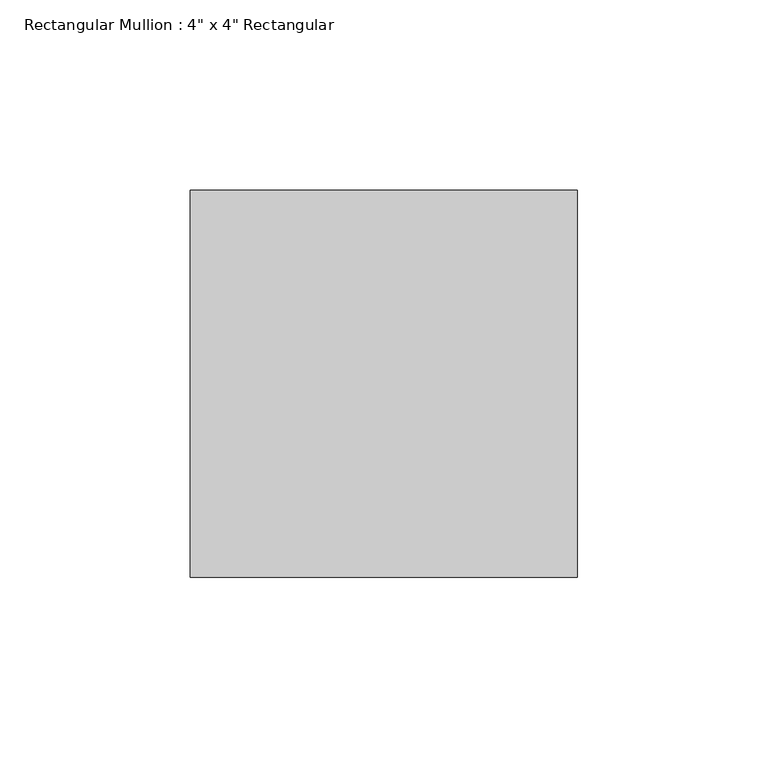
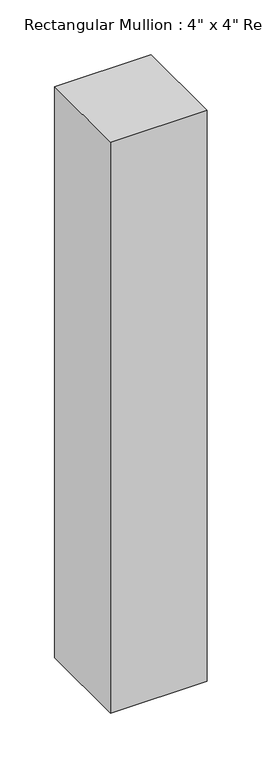
"""IFC4 building model written with IfcOpenShell, lengths in millimetres: member geometry."""

import ifcopenshell
import ifcopenshell.guid

model = None  # the IFC model being written
_history = None  # IfcOwnerHistory: only IFC2X3 demands one
_inside = {}  # id of a spatial element -> (the spatial element, [elements in it])
_under = {}  # id of a project, library or spatial element -> (it, [spatial elements below it])
_declared = {}  # id of a project -> (the project, [libraries it declares])
_typed = {}  # id of a type object -> (the type object, [elements of that type])
_made_of = {}  # id of a material, layer set ... -> (it, [elements and type objects made of it])


def new_model(schema):
    """Start an empty IFC model of exactly this schema.

    Asked for "IFC4X3", IfcOpenShell would pick the latest addendum, in which some entities
    have other attributes; the version numbers below select the first issue.
    IFC2X3 requires an IfcOwnerHistory on every rooted entity: one is made here for all.
    """
    global model, _history
    if schema == "IFC4X3":
        model = ifcopenshell.file(schema_version=(4, 3, 0, 0))
    else:
        model = ifcopenshell.file(schema=schema)
    _inside.clear()
    _under.clear()
    _declared.clear()
    _typed.clear()
    _made_of.clear()
    _history = None
    if model.schema == "IFC2X3":
        org = make("IfcOrganization", Name="unknown")
        user = make(
            "IfcPersonAndOrganization",
            ThePerson=make("IfcPerson", FamilyName="unknown"),
            TheOrganization=org,
        )
        app = make(
            "IfcApplication",
            ApplicationDeveloper=org,
            Version="unknown",
            ApplicationFullName="unknown",
            ApplicationIdentifier="unknown",
        )
        _history = make(
            "IfcOwnerHistory",
            OwningUser=user,
            OwningApplication=app,
            ChangeAction="ADDED",
            CreationDate=0,
        )
    return model


def make(cls, **values):
    """One entity of the class cls with the attributes given. An attribute that is None is left unset."""
    return model.create_entity(
        cls, **{name: value for name, value in values.items() if value is not None}
    )


def rooted(cls, **values):
    """An entity with a GlobalId (a new one), such as an element, a storey or a relation."""
    return make(cls, GlobalId=ifcopenshell.guid.new(), OwnerHistory=_history, **values)


def si_unit(unit_type, name, prefix=None):
    """IfcSIUnit, for example si_unit("LENGTHUNIT", "METRE", prefix="MILLI")."""
    return make("IfcSIUnit", UnitType=unit_type, Prefix=prefix, Name=name)


def assignment(units):
    """IfcUnitAssignment: the units of a project."""
    return None if units is None else make("IfcUnitAssignment", Units=units)


def point(xyz):
    """IfcCartesianPoint."""
    return None if xyz is None else make("IfcCartesianPoint", Coordinates=xyz)


def direction(xyz):
    """IfcDirection."""
    return None if xyz is None else make("IfcDirection", DirectionRatios=xyz)


def frame(location, z_axis=None, x_axis=None):
    """IfcAxis2Placement3D, a coordinate frame: its origin and axes. An axis left out is left unset."""
    return make(
        "IfcAxis2Placement3D",
        Location=point(location),
        Axis=direction(z_axis),
        RefDirection=direction(x_axis),
    )


def origin():
    """The frame at (0, 0, 0) with its axes left unset."""
    return frame((0.0, 0.0, 0.0))


def place(relative_to, where):
    """IfcLocalPlacement: puts the frame where relative to a parent placement (None: the world)."""
    return make(
        "IfcLocalPlacement", PlacementRelTo=relative_to, RelativePlacement=where
    )


def context(
    kind, dimensions, precision=None, world=None, true_north=None, identifier=None
):
    """IfcGeometricRepresentationContext, for example the 3D "Model" context."""
    return make(
        "IfcGeometricRepresentationContext",
        ContextIdentifier=identifier,
        ContextType=kind,
        CoordinateSpaceDimension=dimensions,
        Precision=precision,
        WorldCoordinateSystem=world,
        TrueNorth=true_north,
    )


def project(units=None, contexts=None):
    """IfcProject with its units and contexts."""
    return rooted(
        "IfcProject",
        Name="project",
        RepresentationContexts=contexts,
        UnitsInContext=assignment(units),
    )


def spatial(cls, under=None, at=None, **own):
    """A site, building, storey or space (cls), placed at a placement, below another one or the project."""
    s = rooted(cls, ObjectPlacement=at, **own)
    if under is not None:
        _under.setdefault(under.id(), (under, []))[1].append(s)
    return s


def polyline(points):
    """IfcPolyline through the points."""
    return make("IfcPolyline", Points=[point(p) for p in points])


def outline(outer, holes=None, kind="AREA"):
    """IfcArbitraryClosedProfileDef: a profile drawn as a closed curve; with holes, ...WithVoids."""
    if holes is None:
        return make("IfcArbitraryClosedProfileDef", ProfileType=kind, OuterCurve=outer)
    return make(
        "IfcArbitraryProfileDefWithVoids",
        ProfileType=kind,
        OuterCurve=outer,
        InnerCurves=holes,
    )


def extrude(swept, where, along, depth):
    """IfcExtrudedAreaSolid: the profile swept, set in the frame where, extruded along a direction by depth."""
    return make(
        "IfcExtrudedAreaSolid",
        SweptArea=swept,
        Position=where,
        ExtrudedDirection=direction(along),
        Depth=depth,
    )


def shape(context_of_items, identifier, shape_type, items):
    """IfcShapeRepresentation: the items that make up one representation, for example the "Body"."""
    return make(
        "IfcShapeRepresentation",
        ContextOfItems=context_of_items,
        RepresentationIdentifier=identifier,
        RepresentationType=shape_type,
        Items=items,
    )


def source(mapping_origin, context_of_items, identifier, shape_type, items):
    """IfcRepresentationMap: a shape defined once, which mapped items show again and again."""
    return make(
        "IfcRepresentationMap",
        MappingOrigin=mapping_origin,
        MappedRepresentation=shape(context_of_items, identifier, shape_type, items),
    )


def transform(
    local_origin,
    x_axis=None,
    y_axis=None,
    z_axis=None,
    scale=None,
    scale2=None,
    scale3=None,
    uniform=True,
):
    """IfcCartesianTransformationOperator3D, or its non-uniform kind. x_axis, y_axis, z_axis: its Axis1, 2, 3."""
    if uniform:
        return make(
            "IfcCartesianTransformationOperator3D",
            Axis1=direction(x_axis),
            Axis2=direction(y_axis),
            LocalOrigin=point(local_origin),
            Scale=scale,
            Axis3=direction(z_axis),
        )
    return make(
        "IfcCartesianTransformationOperator3DnonUniform",
        Axis1=direction(x_axis),
        Axis2=direction(y_axis),
        LocalOrigin=point(local_origin),
        Scale=scale,
        Axis3=direction(z_axis),
        Scale2=scale2,
        Scale3=scale3,
    )


def mapped(mapping_source, mapping_target):
    """IfcMappedItem: shows the shape of a source again, moved by a transform."""
    return make(
        "IfcMappedItem", MappingSource=mapping_source, MappingTarget=mapping_target
    )


def made_of(thing, what):
    """Note that an element or type object is made of a material, layer set ...; save() writes the relation."""
    if what is not None:
        _made_of.setdefault(what.id(), (what, []))[1].append(thing)
    return thing


def element(
    cls,
    number,
    at=None,
    inside=None,
    cuts=None,
    type_object=None,
    material=None,
    context=None,
    identifier="Body",
    shape_type=None,
    held_by="IfcProductDefinitionShape",
    body=None,
    shapes=None,
    **own,
):
    """One element of the class cls, such as IfcWall. Its Tag is "e" and its number.

    at: its placement. inside: the storey or other place that contains it. cuts: it is an
    opening in that element (IfcRelVoidsElement). A single representation is given by context,
    identifier, shape_type and body (its items); several are given by shapes. held_by: the class
    of the entity that holds the representations. save() writes the other relations.
    """
    e = rooted(cls, Tag="e%d" % number, ObjectPlacement=at, **own)
    if body is not None:
        shapes = [shape(context, identifier, shape_type, body)]
    if shapes is not None:
        e.Representation = make(held_by, Representations=shapes)
    if inside is not None:
        _inside.setdefault(inside.id(), (inside, []))[1].append(e)
    if cuts is not None:
        rooted(
            "IfcRelVoidsElement", RelatingBuildingElement=cuts, RelatedOpeningElement=e
        )
    if type_object is not None:
        _typed.setdefault(type_object.id(), (type_object, []))[1].append(e)
    return made_of(e, material)


def aggregate(whole, parts):
    """IfcRelAggregates: a whole, such as a stair, and the parts it consists of."""
    return rooted("IfcRelAggregates", RelatingObject=whole, RelatedObjects=parts)


def save(model, path):
    """Write the relations noted so far, then the file.

    IfcRelAggregates (storeys below a building ...), IfcRelContainedInSpatialStructure (elements
    in a storey), IfcRelDefinesByType, IfcRelAssociatesMaterial and IfcRelDeclares: one each for
    every whole, place, type object, material and project.
    """
    for whole, parts in _under.values():
        aggregate(whole, parts)
    for where, things in _inside.values():
        rooted(
            "IfcRelContainedInSpatialStructure",
            RelatedElements=things,
            RelatingStructure=where,
        )
    for kind, things in _typed.values():
        rooted("IfcRelDefinesByType", RelatedObjects=things, RelatingType=kind)
    for what, things in _made_of.values():
        rooted("IfcRelAssociatesMaterial", RelatedObjects=things, RelatingMaterial=what)
    for by, libraries in _declared.values():
        rooted("IfcRelDeclares", RelatingContext=by, RelatedDefinitions=libraries)
    model.write(path)


def member_bfd42ca7(model_context):
    return source(origin(), model_context, "Body", "SweptSolid", [
        extrude(outline(polyline([(0.0, 50.8), (0.0, -50.8), (-101.6, -50.8), (-101.6, 50.8), (0.0, 50.8)])), frame((0.0, 0.0, -635.0), z_axis=(0.0, 0.0, 1.0), x_axis=(1.0, 0.0, 0.0)), (0.0, 0.0, 1.0), 635.0),
    ])


if __name__ == "__main__":
    model = new_model("IFC4")
    model_context = context("Model", 3, world=origin())
    ifc_project = project(units=[si_unit("LENGTHUNIT", "METRE", prefix="MILLI")], contexts=[model_context])
    site = spatial("IfcSite", under=ifc_project)
    building = spatial("IfcBuilding", under=site)
    placement = place(None, origin())
    member_shape = member_bfd42ca7(model_context)
    element("IfcMember", 1, ObjectType="Rectangular Mullion : 4\" x 4\" Rectangular", at=placement, inside=building, context=model_context, shape_type="MappedRepresentation", body=[
        mapped(member_shape, transform((0.0, 0.0, 0.0), x_axis=(1.0, 0.0, 0.0), y_axis=(0.0, 1.0, 0.0), z_axis=(0.0, 0.0, 1.0))),
    ])
    save(model, "model.ifc")
